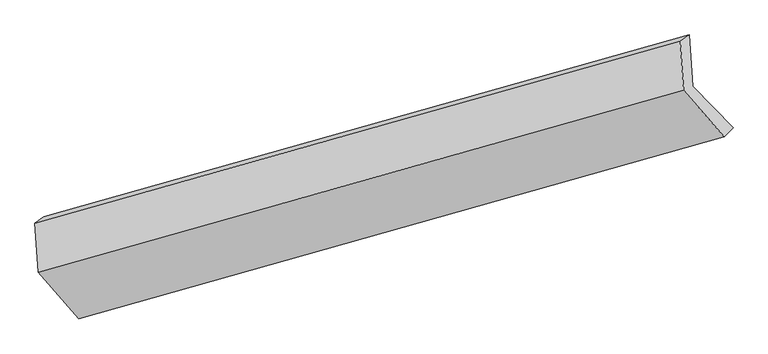
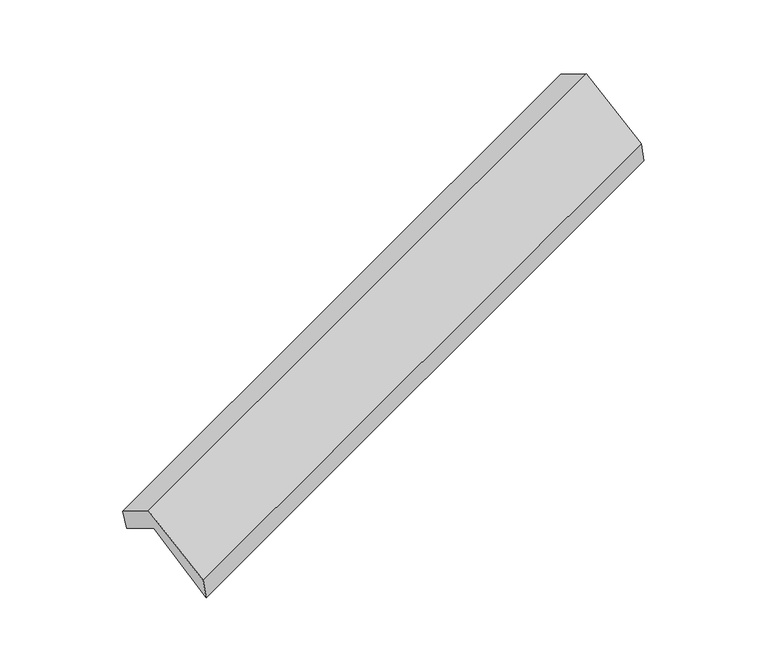
"""IFC4 building model written with IfcOpenShell, lengths in millimetres: proxy geometry."""

from ifc_helpers import new_model, si_unit, origin, place, context, project, spatial, faceted_brep, source, transform, mapped, element, save


def generic_models_d5925a5f(model_context):
    return source(origin(), model_context, "Body", "Brep", [
        faceted_brep([(-5097.8489004, -2120.5928169, 1284.3613875), (-5121.3896215, -1771.7776538, 1078.6758086), (-754.7804805, -543.3055357, 2662.241247), (-731.2397594, -892.1206988, 2867.9268259), (-5181.0141572, -1816.0930852, 1278.5028943), (-814.4050162, -587.6209671, 2862.0683327), (-5158.6341457, -2147.7094071, 1474.0468453), (-792.0250047, -919.237289, 3057.6122838), (-4882.7801893, -2462.2405186, 953.1774598), (-516.1710483, -1233.7684005, 2536.7428982), (-4824.27599, -2401.3244779, 743.5615051), (-457.666849, -1172.8523598, 2327.1269435)], [[[0, 1, 2, 3]], [[1, 4, 5, 2]], [[4, 6, 7, 5]], [[6, 8, 9, 7]], [[8, 10, 11, 9]], [[10, 0, 3, 11]], [[9, 11, 3, 2, 5, 7]], [[0, 10, 8, 6, 4, 1]]]),
    ])


if __name__ == "__main__":
    model = new_model("IFC4")
    model_context = context("Model", 3, world=origin())
    ifc_project = project(units=[si_unit("LENGTHUNIT", "METRE", prefix="MILLI")], contexts=[model_context])
    site = spatial("IfcSite", under=ifc_project)
    building = spatial("IfcBuilding", under=site)
    placement = place(None, origin())
    generic_models_shape = generic_models_d5925a5f(model_context)
    element("IfcBuildingElementProxy", 1, Name="Generic Models", at=placement, inside=building, context=model_context, shape_type="MappedRepresentation", body=[
        mapped(generic_models_shape, transform((0.0, 0.0, 0.0), x_axis=(1.0, 0.0, 0.0), y_axis=(0.0, 1.0, 0.0), z_axis=(0.0, 0.0, 1.0))),
    ])
    save(model, "model.ifc")
